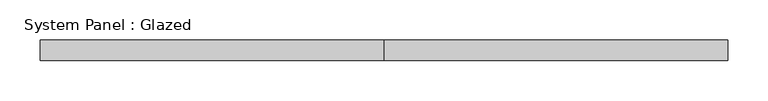
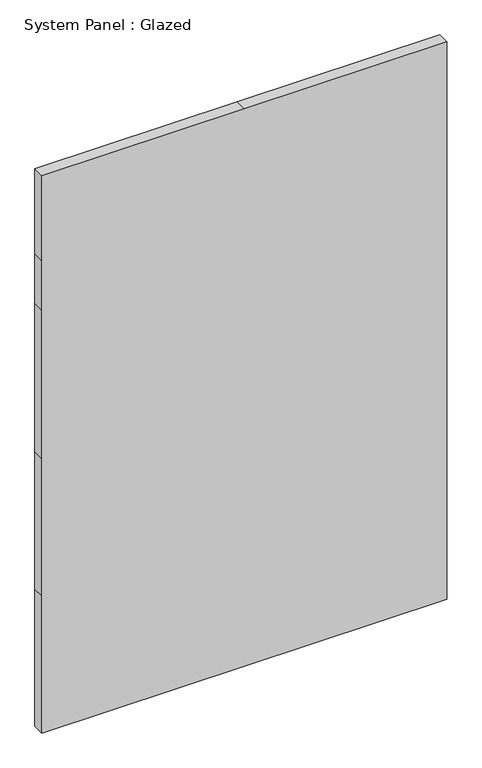
"""IFC4 building model written with IfcOpenShell, lengths in millimetres: plate geometry, System Panel : Glazed."""

import ifcopenshell
import ifcopenshell.guid

model = None  # the IFC model being written
_history = None  # IfcOwnerHistory: only IFC2X3 demands one
_inside = {}  # id of a spatial element -> (the spatial element, [elements in it])
_under = {}  # id of a project, library or spatial element -> (it, [spatial elements below it])
_declared = {}  # id of a project -> (the project, [libraries it declares])
_typed = {}  # id of a type object -> (the type object, [elements of that type])
_made_of = {}  # id of a material, layer set ... -> (it, [elements and type objects made of it])


def new_model(schema):
    """Start an empty IFC model of exactly this schema.

    Asked for "IFC4X3", IfcOpenShell would pick the latest addendum, in which some entities
    have other attributes; the version numbers below select the first issue.
    IFC2X3 requires an IfcOwnerHistory on every rooted entity: one is made here for all.
    """
    global model, _history
    if schema == "IFC4X3":
        model = ifcopenshell.file(schema_version=(4, 3, 0, 0))
    else:
        model = ifcopenshell.file(schema=schema)
    _inside.clear()
    _under.clear()
    _declared.clear()
    _typed.clear()
    _made_of.clear()
    _history = None
    if model.schema == "IFC2X3":
        org = make("IfcOrganization", Name="unknown")
        user = make(
            "IfcPersonAndOrganization",
            ThePerson=make("IfcPerson", FamilyName="unknown"),
            TheOrganization=org,
        )
        app = make(
            "IfcApplication",
            ApplicationDeveloper=org,
            Version="unknown",
            ApplicationFullName="unknown",
            ApplicationIdentifier="unknown",
        )
        _history = make(
            "IfcOwnerHistory",
            OwningUser=user,
            OwningApplication=app,
            ChangeAction="ADDED",
            CreationDate=0,
        )
    return model


def make(cls, **values):
    """One entity of the class cls with the attributes given. An attribute that is None is left unset."""
    return model.create_entity(
        cls, **{name: value for name, value in values.items() if value is not None}
    )


def rooted(cls, **values):
    """An entity with a GlobalId (a new one), such as an element, a storey or a relation."""
    return make(cls, GlobalId=ifcopenshell.guid.new(), OwnerHistory=_history, **values)


def si_unit(unit_type, name, prefix=None):
    """IfcSIUnit, for example si_unit("LENGTHUNIT", "METRE", prefix="MILLI")."""
    return make("IfcSIUnit", UnitType=unit_type, Prefix=prefix, Name=name)


def assignment(units):
    """IfcUnitAssignment: the units of a project."""
    return None if units is None else make("IfcUnitAssignment", Units=units)


def point(xyz):
    """IfcCartesianPoint."""
    return None if xyz is None else make("IfcCartesianPoint", Coordinates=xyz)


def direction(xyz):
    """IfcDirection."""
    return None if xyz is None else make("IfcDirection", DirectionRatios=xyz)


def frame(location, z_axis=None, x_axis=None):
    """IfcAxis2Placement3D, a coordinate frame: its origin and axes. An axis left out is left unset."""
    return make(
        "IfcAxis2Placement3D",
        Location=point(location),
        Axis=direction(z_axis),
        RefDirection=direction(x_axis),
    )


def origin():
    """The frame at (0, 0, 0) with its axes left unset."""
    return frame((0.0, 0.0, 0.0))


def place(relative_to, where):
    """IfcLocalPlacement: puts the frame where relative to a parent placement (None: the world)."""
    return make(
        "IfcLocalPlacement", PlacementRelTo=relative_to, RelativePlacement=where
    )


def context(
    kind, dimensions, precision=None, world=None, true_north=None, identifier=None
):
    """IfcGeometricRepresentationContext, for example the 3D "Model" context."""
    return make(
        "IfcGeometricRepresentationContext",
        ContextIdentifier=identifier,
        ContextType=kind,
        CoordinateSpaceDimension=dimensions,
        Precision=precision,
        WorldCoordinateSystem=world,
        TrueNorth=true_north,
    )


def project(units=None, contexts=None):
    """IfcProject with its units and contexts."""
    return rooted(
        "IfcProject",
        Name="project",
        RepresentationContexts=contexts,
        UnitsInContext=assignment(units),
    )


def spatial(cls, under=None, at=None, **own):
    """A site, building, storey or space (cls), placed at a placement, below another one or the project."""
    s = rooted(cls, ObjectPlacement=at, **own)
    if under is not None:
        _under.setdefault(under.id(), (under, []))[1].append(s)
    return s


def polyline(points):
    """IfcPolyline through the points."""
    return make("IfcPolyline", Points=[point(p) for p in points])


def outline(outer, holes=None, kind="AREA"):
    """IfcArbitraryClosedProfileDef: a profile drawn as a closed curve; with holes, ...WithVoids."""
    if holes is None:
        return make("IfcArbitraryClosedProfileDef", ProfileType=kind, OuterCurve=outer)
    return make(
        "IfcArbitraryProfileDefWithVoids",
        ProfileType=kind,
        OuterCurve=outer,
        InnerCurves=holes,
    )


def extrude(swept, where, along, depth):
    """IfcExtrudedAreaSolid: the profile swept, set in the frame where, extruded along a direction by depth."""
    return make(
        "IfcExtrudedAreaSolid",
        SweptArea=swept,
        Position=where,
        ExtrudedDirection=direction(along),
        Depth=depth,
    )


def shape(context_of_items, identifier, shape_type, items):
    """IfcShapeRepresentation: the items that make up one representation, for example the "Body"."""
    return make(
        "IfcShapeRepresentation",
        ContextOfItems=context_of_items,
        RepresentationIdentifier=identifier,
        RepresentationType=shape_type,
        Items=items,
    )


def source(mapping_origin, context_of_items, identifier, shape_type, items):
    """IfcRepresentationMap: a shape defined once, which mapped items show again and again."""
    return make(
        "IfcRepresentationMap",
        MappingOrigin=mapping_origin,
        MappedRepresentation=shape(context_of_items, identifier, shape_type, items),
    )


def transform(
    local_origin,
    x_axis=None,
    y_axis=None,
    z_axis=None,
    scale=None,
    scale2=None,
    scale3=None,
    uniform=True,
):
    """IfcCartesianTransformationOperator3D, or its non-uniform kind. x_axis, y_axis, z_axis: its Axis1, 2, 3."""
    if uniform:
        return make(
            "IfcCartesianTransformationOperator3D",
            Axis1=direction(x_axis),
            Axis2=direction(y_axis),
            LocalOrigin=point(local_origin),
            Scale=scale,
            Axis3=direction(z_axis),
        )
    return make(
        "IfcCartesianTransformationOperator3DnonUniform",
        Axis1=direction(x_axis),
        Axis2=direction(y_axis),
        LocalOrigin=point(local_origin),
        Scale=scale,
        Axis3=direction(z_axis),
        Scale2=scale2,
        Scale3=scale3,
    )


def mapped(mapping_source, mapping_target):
    """IfcMappedItem: shows the shape of a source again, moved by a transform."""
    return make(
        "IfcMappedItem", MappingSource=mapping_source, MappingTarget=mapping_target
    )


def made_of(thing, what):
    """Note that an element or type object is made of a material, layer set ...; save() writes the relation."""
    if what is not None:
        _made_of.setdefault(what.id(), (what, []))[1].append(thing)
    return thing


def element(
    cls,
    number,
    at=None,
    inside=None,
    cuts=None,
    type_object=None,
    material=None,
    context=None,
    identifier="Body",
    shape_type=None,
    held_by="IfcProductDefinitionShape",
    body=None,
    shapes=None,
    **own,
):
    """One element of the class cls, such as IfcWall. Its Tag is "e" and its number.

    at: its placement. inside: the storey or other place that contains it. cuts: it is an
    opening in that element (IfcRelVoidsElement). A single representation is given by context,
    identifier, shape_type and body (its items); several are given by shapes. held_by: the class
    of the entity that holds the representations. save() writes the other relations.
    """
    e = rooted(cls, Tag="e%d" % number, ObjectPlacement=at, **own)
    if body is not None:
        shapes = [shape(context, identifier, shape_type, body)]
    if shapes is not None:
        e.Representation = make(held_by, Representations=shapes)
    if inside is not None:
        _inside.setdefault(inside.id(), (inside, []))[1].append(e)
    if cuts is not None:
        rooted(
            "IfcRelVoidsElement", RelatingBuildingElement=cuts, RelatedOpeningElement=e
        )
    if type_object is not None:
        _typed.setdefault(type_object.id(), (type_object, []))[1].append(e)
    return made_of(e, material)


def aggregate(whole, parts):
    """IfcRelAggregates: a whole, such as a stair, and the parts it consists of."""
    return rooted("IfcRelAggregates", RelatingObject=whole, RelatedObjects=parts)


def save(model, path):
    """Write the relations noted so far, then the file.

    IfcRelAggregates (storeys below a building ...), IfcRelContainedInSpatialStructure (elements
    in a storey), IfcRelDefinesByType, IfcRelAssociatesMaterial and IfcRelDeclares: one each for
    every whole, place, type object, material and project.
    """
    for whole, parts in _under.values():
        aggregate(whole, parts)
    for where, things in _inside.values():
        rooted(
            "IfcRelContainedInSpatialStructure",
            RelatedElements=things,
            RelatingStructure=where,
        )
    for kind, things in _typed.values():
        rooted("IfcRelDefinesByType", RelatedObjects=things, RelatingType=kind)
    for what, things in _made_of.values():
        rooted("IfcRelAssociatesMaterial", RelatedObjects=things, RelatingMaterial=what)
    for by, libraries in _declared.values():
        rooted("IfcRelDeclares", RelatingContext=by, RelatedDefinitions=libraries)
    model.write(path)


def system_panel_glazed_66adfe36(model_context):
    return source(origin(), model_context, "Body", "SweptSolid", [
        extrude(outline(polyline([(0.0, -425.45), (0.0, 0.0), (0.0, 425.45), (304.8, 425.45), (609.6, 425.45), (939.8, 425.45), (1049.8666667, 425.45), (1238.25, 425.45), (1238.25, 0.0), (1238.25, -425.45), (1049.8666667, -425.45), (939.8, -425.45), (609.6, -425.45), (304.8, -425.45), (0.0, -425.45)])), frame((0.0, 19.05, 0.0), z_axis=(0.0, 1.0, 0.0), x_axis=(0.0, 0.0, 1.0)), (0.0, 0.0, 1.0), 25.4),
    ])


if __name__ == "__main__":
    model = new_model("IFC4")
    model_context = context("Model", 3, world=origin())
    ifc_project = project(units=[si_unit("LENGTHUNIT", "METRE", prefix="MILLI")], contexts=[model_context])
    site = spatial("IfcSite", under=ifc_project)
    building = spatial("IfcBuilding", under=site)
    placement = place(None, origin())
    system_panel_glazed_shape = system_panel_glazed_66adfe36(model_context)
    element("IfcPlate", 1, ObjectType="System Panel : Glazed", at=placement, inside=building, context=model_context, shape_type="MappedRepresentation", body=[
        mapped(system_panel_glazed_shape, transform((0.0, 0.0, 0.0), x_axis=(1.0, 0.0, 0.0), y_axis=(0.0, 1.0, 0.0), z_axis=(0.0, 0.0, 1.0))),
    ])
    save(model, "model.ifc")
